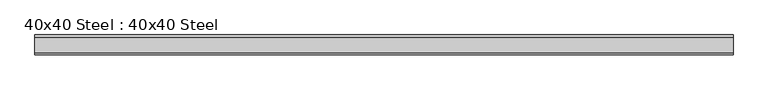
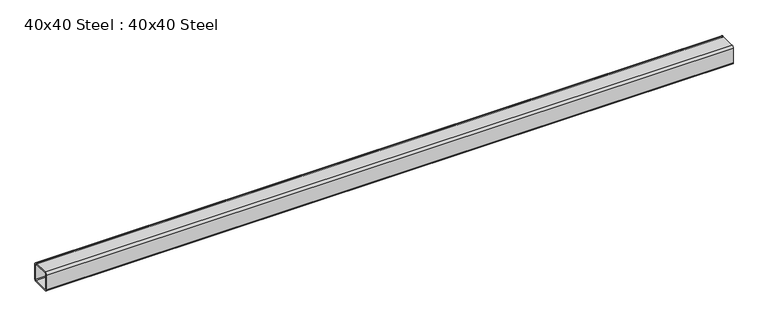
"""IFC4 building model written with IfcOpenShell, lengths in millimetres: proxy geometry, 40x40 Steel : 40x40 Steel."""

from ifc_helpers import new_model, si_unit, point, frame, frame_2d, origin, place, context, project, spatial, polyline, circle_curve, trimmed, segment, composite_curve, outline, extrude, source, transform, mapped, element, save


def proxy_40x40_steel_40x40_steel_c1c5a62d(model_context):
    return source(origin(), model_context, "Body", "SweptSolid", [
        extrude(outline(composite_curve([segment(trimmed(circle_curve(frame_2d((34.1, 4.0)), 4.0), [point((38.1, 4.0))], [point((34.1, 0.0))], False, "CARTESIAN"), True, "CONTINUOUS"), segment(polyline([(34.1, 0.0), (4.0, 0.0)]), True, "CONTINUOUS"), segment(trimmed(circle_curve(frame_2d((4.0, 4.0)), 4.0), [point((4.0, 0.0))], [point((0.0, 4.0))], False, "CARTESIAN"), True, "CONTINUOUS"), segment(polyline([(0.0, 4.0), (0.0, 34.1)]), True, "CONTINUOUS"), segment(trimmed(circle_curve(frame_2d((4.0, 34.1)), 4.0), [point((0.0, 34.1))], [point((4.0, 38.1))], False, "CARTESIAN"), True, "CONTINUOUS"), segment(polyline([(4.0, 38.1), (34.1, 38.1)]), True, "CONTINUOUS"), segment(trimmed(circle_curve(frame_2d((34.1, 34.1)), 4.0), [point((34.1, 38.1))], [point((38.1, 34.1))], False, "CARTESIAN"), True, "CONTINUOUS"), segment(polyline([(38.1, 34.1), (38.1, 4.0)]), True, "CONTINUOUS")], self_intersect=False), holes=[composite_curve([segment(polyline([(35.1, 4.0), (35.1, 34.1)]), True, "CONTINUOUS"), segment(trimmed(circle_curve(frame_2d((34.1, 34.1)), 1.0), [point((35.1, 34.1))], [point((34.1, 35.1))], True, "CARTESIAN"), True, "CONTINUOUS"), segment(polyline([(34.1, 35.1), (4.0, 35.1)]), True, "CONTINUOUS"), segment(trimmed(circle_curve(frame_2d((4.0, 34.1)), 1.0), [point((4.0, 35.1))], [point((3.0, 34.1))], True, "CARTESIAN"), True, "CONTINUOUS"), segment(polyline([(3.0, 34.1), (3.0, 4.0)]), True, "CONTINUOUS"), segment(trimmed(circle_curve(frame_2d((4.0, 4.0)), 1.0), [point((3.0, 4.0))], [point((4.0, 3.0))], True, "CARTESIAN"), True, "CONTINUOUS"), segment(polyline([(4.0, 3.0), (34.1, 3.0)]), True, "CONTINUOUS"), segment(trimmed(circle_curve(frame_2d((34.1, 4.0)), 1.0), [point((34.1, 3.0))], [point((35.1, 4.0))], True, "CARTESIAN"), True, "CONTINUOUS")], self_intersect=False)]), frame((0.0, 0.0, 0.0), z_axis=(1.0, 0.0, 0.0), x_axis=(0.0, 1.0, 0.0)), (0.0, 0.0, 1.0), 1330.0),
    ])


if __name__ == "__main__":
    model = new_model("IFC4")
    model_context = context("Model", 3, world=origin())
    ifc_project = project(units=[si_unit("LENGTHUNIT", "METRE", prefix="MILLI")], contexts=[model_context])
    site = spatial("IfcSite", under=ifc_project)
    building = spatial("IfcBuilding", under=site)
    placement = place(None, origin())
    proxy_40x40_steel_40x40_steel_shape = proxy_40x40_steel_40x40_steel_c1c5a62d(model_context)
    element("IfcBuildingElementProxy", 1, Name="40x40 Steel : 40x40 Steel", ObjectType="40x40 Steel : 40x40 Steel", at=placement, inside=building, context=model_context, shape_type="MappedRepresentation", body=[
        mapped(proxy_40x40_steel_40x40_steel_shape, transform((0.0, 0.0, 0.0), x_axis=(1.0, 0.0, 0.0), y_axis=(0.0, 1.0, 0.0), z_axis=(0.0, 0.0, 1.0))),
    ])
    save(model, "model.ifc")
